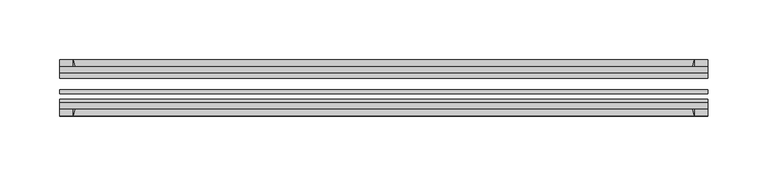
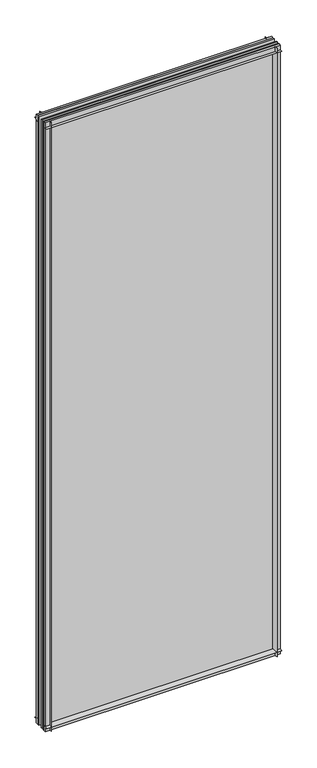
"""IFC4 building model written with IfcOpenShell, lengths in millimetres: plate geometry."""

from ifc_helpers import new_model, si_unit, point, frame, frame_2d, origin, place, context, project, spatial, polyline, circle_curve, trimmed, segment, composite_curve, outline, extrude, source, transform, mapped, element, save


def plate_851767a0(model_context):
    return source(origin(), model_context, "Body", "SweptSolid", [
        extrude(outline(composite_curve([segment(polyline([(-74.653775, 0.0), (-80.586498, 0.0)]), True, "CONTINUOUS"), segment(trimmed(circle_curve(frame_2d((-86.2543953, 32.273404)), 32.7673262), [point((-80.586498, 0.0))], [point((-69.878575, 3.8915405))], True, "CARTESIAN"), True, "CONTINUOUS"), segment(polyline([(-69.878575, 3.8915405), (-69.878575, -10.31875), (-74.653775, -10.31875), (-74.653775, 0.0)]), True, "CONTINUOUS")], self_intersect=False)), frame((-271.4625, 0.0, 0.0), z_axis=(1.0, 0.0, 0.0), x_axis=(0.0, 1.0, 0.0)), (0.0, 0.0, 1.0), 542.925),
        extrude(outline(composite_curve([segment(polyline([(-44.478575, -10.31875), (-44.478575, 3.8915405)]), True, "CONTINUOUS"), segment(trimmed(circle_curve(frame_2d((-28.1027547, 32.273404)), 32.7673262), [point((-44.478575, 3.8915405))], [point((-33.770652, 0.0))], True, "CARTESIAN"), True, "CONTINUOUS"), segment(polyline([(-33.770652, 0.0), (-39.703375, 0.0), (-39.703375, -10.31875), (-44.478575, -10.31875)]), True, "CONTINUOUS")], self_intersect=False)), frame((-271.4625, 0.0, 0.0), z_axis=(1.0, 0.0, 0.0), x_axis=(0.0, 1.0, 0.0)), (0.0, 0.0, 1.0), 542.925),
        extrude(outline(composite_curve([segment(trimmed(circle_curve(frame_2d((-86.2543953, 1431.395246)), 32.7673262), [point((-69.878575, 1459.7771095))], [point((-80.622775, 1463.675))], True, "CARTESIAN"), True, "CONTINUOUS"), segment(polyline([(-80.622775, 1463.675), (-74.653775, 1463.675), (-74.653775, 1474.7875), (-69.878575, 1474.7875), (-69.878575, 1459.7771095)]), True, "CONTINUOUS")], self_intersect=False)), frame((-271.4625, 0.0, 0.0), z_axis=(1.0, 0.0, 0.0), x_axis=(0.0, 1.0, 0.0)), (0.0, 0.0, 1.0), 542.925),
        extrude(outline(composite_curve([segment(polyline([(-44.478575, 1459.7771095), (-44.478575, 1474.7875), (-39.703375, 1474.7875), (-39.703375, 1463.675), (-33.734375, 1463.675)]), True, "CONTINUOUS"), segment(trimmed(circle_curve(frame_2d((-28.1027547, 1431.395246)), 32.7673262), [point((-33.734375, 1463.675))], [point((-44.478575, 1459.7771095))], True, "CARTESIAN"), True, "CONTINUOUS")], self_intersect=False)), frame((-271.4625, 0.0, 0.0), z_axis=(1.0, 0.0, 0.0), x_axis=(0.0, 1.0, 0.0)), (0.0, 0.0, 1.0), 542.925),
        extrude(outline(composite_curve([segment(polyline([(256.4521095, -69.878575), (271.4625, -69.878575), (271.4625, -74.653775), (260.35, -74.653775), (260.35, -80.622775)]), True, "CONTINUOUS"), segment(trimmed(circle_curve(frame_2d((228.070246, -86.2543953)), 32.7673262), [point((260.35, -80.622775))], [point((256.4521095, -69.878575))], True, "CARTESIAN"), True, "CONTINUOUS")], self_intersect=False)), frame((0.0, 0.0, -10.31875), z_axis=(0.0, 0.0, 1.0), x_axis=(1.0, 0.0, 0.0)), (0.0, 0.0, 1.0), 1485.10625),
        extrude(outline(composite_curve([segment(trimmed(circle_curve(frame_2d((228.070246, -28.1027547)), 32.7673262), [point((256.4521095, -44.478575))], [point((260.35, -33.734375))], True, "CARTESIAN"), True, "CONTINUOUS"), segment(polyline([(260.35, -33.734375), (260.35, -39.703375), (271.4625, -39.703375), (271.4625, -44.478575), (256.4521095, -44.478575)]), True, "CONTINUOUS")], self_intersect=False)), frame((0.0, 0.0, -10.31875), z_axis=(0.0, 0.0, 1.0), x_axis=(1.0, 0.0, 0.0)), (0.0, 0.0, 1.0), 1485.10625),
        extrude(outline(composite_curve([segment(trimmed(circle_curve(frame_2d((-228.070246, -86.2543953)), 32.7673262), [point((-256.4521095, -69.878575))], [point((-260.35, -80.622775))], True, "CARTESIAN"), True, "CONTINUOUS"), segment(polyline([(-260.35, -80.622775), (-260.35, -74.653775), (-271.4625, -74.653775), (-271.4625, -69.878575), (-256.4521095, -69.878575)]), True, "CONTINUOUS")], self_intersect=False)), frame((0.0, 0.0, -10.31875), z_axis=(0.0, 0.0, 1.0), x_axis=(1.0, 0.0, 0.0)), (0.0, 0.0, 1.0), 1485.10625),
        extrude(outline(composite_curve([segment(polyline([(-256.4521095, -44.478575), (-271.4625, -44.478575), (-271.4625, -39.703375), (-260.35, -39.703375), (-260.35, -33.734375)]), True, "CONTINUOUS"), segment(trimmed(circle_curve(frame_2d((-228.070246, -28.1027547)), 32.7673262), [point((-260.35, -33.734375))], [point((-256.4521095, -44.478575))], True, "CARTESIAN"), True, "CONTINUOUS")], self_intersect=False)), frame((0.0, 0.0, -10.31875), z_axis=(0.0, 0.0, 1.0), x_axis=(1.0, 0.0, 0.0)), (0.0, 0.0, 1.0), 1485.10625),
        extrude(outline(polyline([(-271.4625, -44.478575), (271.4625, -44.478575), (271.4625, -49.241075), (-271.4625, -49.241075), (-271.4625, -44.478575)])), frame((0.0, 0.0, -10.31875), z_axis=(0.0, 0.0, 1.0), x_axis=(1.0, 0.0, 0.0)), (0.0, 0.0, 1.0), 1485.10625),
        extrude(outline(polyline([(271.4625, -58.956575), (271.4625, -62.131575), (-271.4625, -62.131575), (-271.4625, -58.956575), (271.4625, -58.956575)])), frame((0.0, 0.0, -10.31875), z_axis=(0.0, 0.0, 1.0), x_axis=(1.0, 0.0, 0.0)), (0.0, 0.0, 1.0), 1485.10625),
        extrude(outline(polyline([(-271.4625, -66.703575), (271.4625, -66.703575), (271.4625, -69.878575), (-271.4625, -69.878575), (-271.4625, -66.703575)])), frame((0.0, 0.0, -10.31875), z_axis=(0.0, 0.0, 1.0), x_axis=(1.0, 0.0, 0.0)), (0.0, 0.0, 1.0), 1485.10625),
    ])


if __name__ == "__main__":
    model = new_model("IFC4")
    model_context = context("Model", 3, world=origin())
    ifc_project = project(units=[si_unit("LENGTHUNIT", "METRE", prefix="MILLI")], contexts=[model_context])
    site = spatial("IfcSite", under=ifc_project)
    building = spatial("IfcBuilding", under=site)
    placement = place(None, origin())
    plate_shape = plate_851767a0(model_context)
    element("IfcPlate", 1, at=placement, inside=building, context=model_context, shape_type="MappedRepresentation", body=[
        mapped(plate_shape, transform((0.0, 0.0, 0.0), x_axis=(1.0, 0.0, 0.0), y_axis=(0.0, 1.0, 0.0), z_axis=(0.0, 0.0, 1.0))),
    ])
    save(model, "model.ifc")
